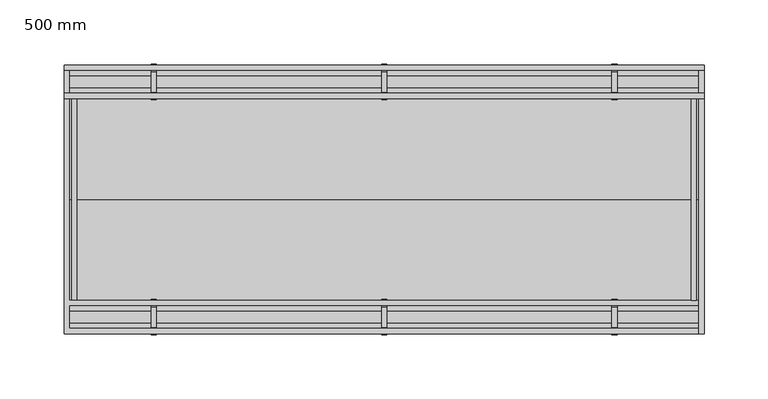
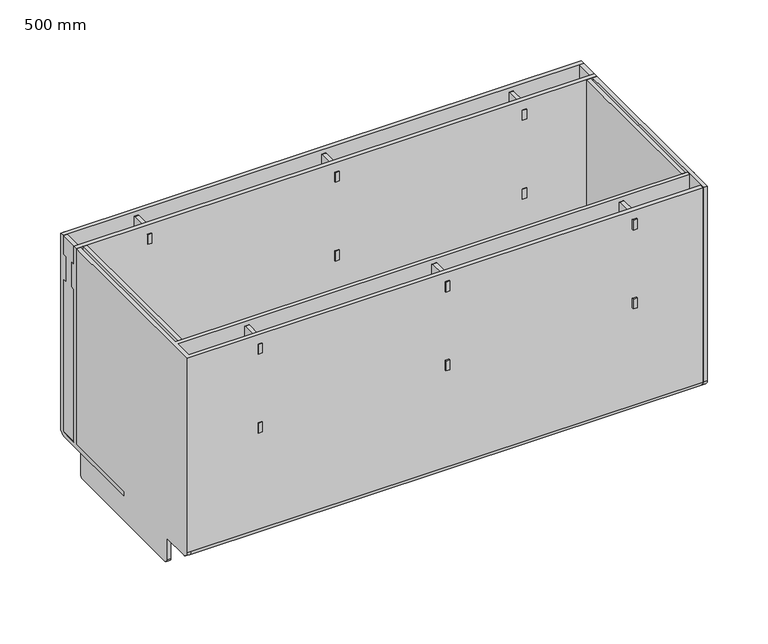
"""IFC4 building model written with IfcOpenShell, lengths in millimetres: proxy geometry, 500 mm."""

from ifc_helpers import new_model, si_unit, point, frame, frame_2d, origin, place, context, project, spatial, polyline, circle_curve, trimmed, segment, composite_curve, outline, extrude, source, transform, mapped, element, save
from ifc_brep_helpers import plane_surface, cylinder_surface, revolved_surface, advanced_brep


def proxy_500_mm_f506b042(model_context):
    return source(origin(), model_context, "Body", "SolidModel", [
        extrude(outline(composite_curve([segment(polyline([(99.5, -21.0), (0.0, -21.0), (0.0, -17.0), (79.0054819, -17.0), (79.0054819, 182.0093438), (83.0054819, 182.0093438), (83.0054819, 163.1067012), (87.0054819, 163.1067012), (87.0054819, 138.1067012), (83.0054819, 138.1067012), (83.0054819, -17.0), (99.5, -17.0)]), True, "CONTINUOUS"), segment(trimmed(circle_curve(frame_2d((99.5, -15.5)), 1.5), [point((99.5, -17.0))], [point((101.0, -15.5))], True, "CARTESIAN"), True, "CONTINUOUS"), segment(polyline([(101.0, -15.5), (101.0, 137.9), (97.0, 137.9), (97.0, 162.9), (101.0, 162.9), (101.0, 182.0), (105.0, 182.0), (105.0, -15.5)]), True, "CONTINUOUS"), segment(trimmed(circle_curve(frame_2d((99.5, -15.5)), 5.5), [point((105.0, -15.5))], [point((99.5, -21.0))], False, "CARTESIAN"), True, "CONTINUOUS")], self_intersect=False)), frame((0.0, 0.0, 0.0), z_axis=(1.0, 0.0, 0.0), x_axis=(0.0, 1.0, 0.0)), (0.0, 0.0, 1.0), 500.0),
        extrude(outline(polyline([(490.0, -79.0054819), (490.0, 79.0054819), (494.0, 79.0054819), (494.0, -79.0054819), (490.0, -79.0054819)])), frame((0.0, 0.0, -17.0), z_axis=(0.0, 0.0, 1.0), x_axis=(1.0, 0.0, 0.0)), (0.0, 0.0, 1.0), 199.0093438),
        extrude(outline(composite_curve([segment(polyline([(105.0, 182.0093438), (105.0, -15.5)]), True, "CONTINUOUS"), segment(trimmed(circle_curve(frame_2d((99.5, -15.5)), 5.5), [point((105.0, -15.5))], [point((99.5, -21.0))], False, "CARTESIAN"), True, "CONTINUOUS"), segment(polyline([(99.5, -21.0), (71.5, -21.0), (71.5, -43.0)]), True, "CONTINUOUS"), segment(trimmed(circle_curve(frame_2d((68.5, -43.0)), 3.0), [point((71.5, -43.0))], [point((68.5, -46.0))], False, "CARTESIAN"), True, "CONTINUOUS"), segment(polyline([(68.5, -46.0), (-68.5, -46.0)]), True, "CONTINUOUS"), segment(trimmed(circle_curve(frame_2d((-68.5, -43.0)), 3.0), [point((-68.5, -46.0))], [point((-71.5, -43.0))], False, "CARTESIAN"), True, "CONTINUOUS"), segment(polyline([(-71.5, -43.0), (-71.5, -21.0), (-99.5, -21.0)]), True, "CONTINUOUS"), segment(trimmed(circle_curve(frame_2d((-99.5, -15.5)), 5.5), [point((-99.5, -21.0))], [point((-105.0, -15.5))], False, "CARTESIAN"), True, "CONTINUOUS"), segment(polyline([(-105.0, -15.5), (-105.0, 182.0093438), (105.0, 182.0093438)]), True, "CONTINUOUS")], self_intersect=False)), frame((496.0, 0.0, 0.0), z_axis=(1.0, 0.0, 0.0), x_axis=(0.0, 1.0, 0.0)), (0.0, 0.0, 1.0), 4.0),
        extrude(outline(composite_curve([segment(trimmed(circle_curve(frame_2d((68.5, -43.0)), 3.0), [point((71.5, -43.0))], [point((68.5, -46.0))], False, "CARTESIAN"), True, "CONTINUOUS"), segment(polyline([(68.5, -46.0), (-68.5, -46.0)]), True, "CONTINUOUS"), segment(trimmed(circle_curve(frame_2d((-68.5, -43.0)), 3.0), [point((-68.5, -46.0))], [point((-71.5, -43.0))], False, "CARTESIAN"), True, "CONTINUOUS"), segment(polyline([(-71.5, -43.0), (-71.5, -21.0), (71.5, -21.0), (71.5, -43.0)]), True, "CONTINUOUS")], self_intersect=False)), frame((248.0625, 0.0, 0.0), z_axis=(1.0, 0.0, 0.0), x_axis=(0.0, 1.0, 0.0)), (0.0, 0.0, 1.0), 4.0),
        extrude(outline(composite_curve([segment(polyline([(82.9942771, 78.0), (82.9942771, 83.0), (77.9942771, 83.0), (77.9942771, 93.0), (82.9942771, 93.0), (82.9942771, 163.0), (77.9942771, 163.0), (77.9942771, 173.0), (82.9942771, 173.0), (82.9942771, 177.0)]), True, "CONTINUOUS"), segment(trimmed(circle_curve(frame_2d((83.9942771, 177.0)), 1.0), [point((82.9942771, 177.0))], [point((83.9942771, 178.0))], False, "CARTESIAN"), True, "CONTINUOUS"), segment(polyline([(83.9942771, 178.0), (100.0, 178.0)]), True, "CONTINUOUS"), segment(trimmed(circle_curve(frame_2d((100.0, 177.0)), 1.0), [point((100.0, 178.0))], [point((101.0, 177.0))], False, "CARTESIAN"), True, "CONTINUOUS"), segment(polyline([(101.0, 177.0), (101.0, 173.0), (106.0, 173.0), (106.0, 163.0), (101.0, 163.0), (101.0, 93.0), (106.0, 93.0), (106.0, 83.0), (101.0, 83.0), (101.0, 78.0), (82.9942771, 78.0)]), True, "CONTINUOUS")], self_intersect=False)), frame((248.0625, 0.0, 0.0), z_axis=(1.0, 0.0, 0.0), x_axis=(0.0, 1.0, 0.0)), (0.0, 0.0, 1.0), 4.0),
        extrude(outline(composite_curve([segment(polyline([(-82.9942771, 78.0), (-101.0, 78.0), (-101.0, 83.0), (-106.0, 83.0), (-106.0, 93.0), (-101.0, 93.0), (-101.0, 163.0), (-106.0, 163.0), (-106.0, 173.0), (-101.0, 173.0), (-101.0, 177.0)]), True, "CONTINUOUS"), segment(trimmed(circle_curve(frame_2d((-100.0, 177.0)), 1.0), [point((-101.0, 177.0))], [point((-100.0, 178.0))], False, "CARTESIAN"), True, "CONTINUOUS"), segment(polyline([(-100.0, 178.0), (-83.9942771, 178.0)]), True, "CONTINUOUS"), segment(trimmed(circle_curve(frame_2d((-83.9942771, 177.0)), 1.0), [point((-83.9942771, 178.0))], [point((-82.9942771, 177.0))], False, "CARTESIAN"), True, "CONTINUOUS"), segment(polyline([(-82.9942771, 177.0), (-82.9942771, 173.0), (-77.9942771, 173.0), (-77.9942771, 163.0), (-82.9942771, 163.0), (-82.9942771, 93.0), (-77.9942771, 93.0), (-77.9942771, 83.0), (-82.9942771, 83.0), (-82.9942771, 78.0)]), True, "CONTINUOUS")], self_intersect=False)), frame((248.0625, 0.0, 0.0), z_axis=(1.0, 0.0, 0.0), x_axis=(0.0, 1.0, 0.0)), (0.0, 0.0, 1.0), 4.0),
        extrude(outline(composite_curve([segment(trimmed(circle_curve(frame_2d((68.5, -43.0)), 3.0), [point((71.5, -43.0))], [point((68.5, -46.0))], False, "CARTESIAN"), True, "CONTINUOUS"), segment(polyline([(68.5, -46.0), (-68.5, -46.0)]), True, "CONTINUOUS"), segment(trimmed(circle_curve(frame_2d((-68.5, -43.0)), 3.0), [point((-68.5, -46.0))], [point((-71.5, -43.0))], False, "CARTESIAN"), True, "CONTINUOUS"), segment(polyline([(-71.5, -43.0), (-71.5, -21.0), (71.5, -21.0), (71.5, -43.0)]), True, "CONTINUOUS")], self_intersect=False)), frame((428.0625, 0.0, 0.0), z_axis=(1.0, 0.0, 0.0), x_axis=(0.0, 1.0, 0.0)), (0.0, 0.0, 1.0), 4.0),
        extrude(outline(composite_curve([segment(polyline([(82.9942771, 78.0), (82.9942771, 83.0), (77.9942771, 83.0), (77.9942771, 93.0), (82.9942771, 93.0), (82.9942771, 163.0), (77.9942771, 163.0), (77.9942771, 173.0), (82.9942771, 173.0), (82.9942771, 177.0)]), True, "CONTINUOUS"), segment(trimmed(circle_curve(frame_2d((83.9942771, 177.0)), 1.0), [point((82.9942771, 177.0))], [point((83.9942771, 178.0))], False, "CARTESIAN"), True, "CONTINUOUS"), segment(polyline([(83.9942771, 178.0), (100.0, 178.0)]), True, "CONTINUOUS"), segment(trimmed(circle_curve(frame_2d((100.0, 177.0)), 1.0), [point((100.0, 178.0))], [point((101.0, 177.0))], False, "CARTESIAN"), True, "CONTINUOUS"), segment(polyline([(101.0, 177.0), (101.0, 173.0), (106.0, 173.0), (106.0, 163.0), (101.0, 163.0), (101.0, 93.0), (106.0, 93.0), (106.0, 83.0), (101.0, 83.0), (101.0, 78.0), (82.9942771, 78.0)]), True, "CONTINUOUS")], self_intersect=False)), frame((428.0625, 0.0, 0.0), z_axis=(1.0, 0.0, 0.0), x_axis=(0.0, 1.0, 0.0)), (0.0, 0.0, 1.0), 4.0),
        extrude(outline(composite_curve([segment(polyline([(-82.9942771, 78.0), (-101.0, 78.0), (-101.0, 83.0), (-106.0, 83.0), (-106.0, 93.0), (-101.0, 93.0), (-101.0, 163.0), (-106.0, 163.0), (-106.0, 173.0), (-101.0, 173.0), (-101.0, 177.0)]), True, "CONTINUOUS"), segment(trimmed(circle_curve(frame_2d((-100.0, 177.0)), 1.0), [point((-101.0, 177.0))], [point((-100.0, 178.0))], False, "CARTESIAN"), True, "CONTINUOUS"), segment(polyline([(-100.0, 178.0), (-83.9942771, 178.0)]), True, "CONTINUOUS"), segment(trimmed(circle_curve(frame_2d((-83.9942771, 177.0)), 1.0), [point((-83.9942771, 178.0))], [point((-82.9942771, 177.0))], False, "CARTESIAN"), True, "CONTINUOUS"), segment(polyline([(-82.9942771, 177.0), (-82.9942771, 173.0), (-77.9942771, 173.0), (-77.9942771, 163.0), (-82.9942771, 163.0), (-82.9942771, 93.0), (-77.9942771, 93.0), (-77.9942771, 83.0), (-82.9942771, 83.0), (-82.9942771, 78.0)]), True, "CONTINUOUS")], self_intersect=False)), frame((428.0625, 0.0, 0.0), z_axis=(1.0, 0.0, 0.0), x_axis=(0.0, 1.0, 0.0)), (0.0, 0.0, 1.0), 4.0),
        advanced_brep(
        [(4.0, -71.5, -21.0), (4.0, -71.5, -43.0), (4.0, -68.5, -46.0), (4.0, 68.5, -46.0), (4.0, 71.5, -43.0), (4.0, 71.5, -21.0), (4.0, 99.5, -21.0), (4.0, 105.0, -15.5), (4.0, 105.0, 182.0093438), (4.0, -79.0054819, 182.0093438), (4.0, -79.0054819, -17.0), (4.0, 0.0, -17.0), (4.0, 0.0, -21.0), (4.0, -83.0054819, 182.0093438), (4.0, -101.0, 182.0093438), (4.0, -101.0, 162.9), (4.0, -97.0, 162.9), (4.0, -97.0, 137.9), (4.0, -101.0, 137.9), (4.0, -101.0, -15.5), (4.0, -99.5, -17.0), (4.0, -83.0054819, -17.0), (4.0, -83.0054819, 138.1067012), (4.0, -87.0054819, 138.1067012), (4.0, -87.0054819, 163.1067012), (4.0, -83.0054819, 163.1067012), (0.0, -105.0, 182.0093438), (0.0, 105.0, 182.0093438), (0.0, 105.0, -15.5), (0.0, 99.5, -21.0), (0.0, 71.5, -21.0), (0.0, 71.5, -43.0), (0.0, 68.5, -46.0), (0.0, -68.5, -46.0), (0.0, -71.5, -43.0), (0.0, -71.5, -21.0), (0.0, -99.5, -21.0), (0.0, -105.0, -15.5), (500.0, -105.0, 182.0093438), (500.0, -101.0, 182.0093438), (500.0, -83.0054819, 182.0093438), (500.0, -79.0054819, 182.0093438), (4.0, -105.0, -15.5), (500.0, -105.0, -15.5), (4.0, -99.5, -21.0), (500.0, 0.0, -21.0), (500.0, -99.5, -21.0), (500.0, 0.0, -17.0), (500.0, -79.0054819, -17.0), (500.0, -83.0054819, 163.1067012), (500.0, -87.0054819, 163.1067012), (500.0, -87.0054819, 138.1067012), (500.0, -83.0054819, 138.1067012), (500.0, -83.0054819, -17.0), (500.0, -99.5, -17.0), (500.0, -101.0, -15.5), (500.0, -101.0, 137.9), (500.0, -97.0, 137.9), (500.0, -97.0, 162.9), (500.0, -101.0, 162.9)],
        [
            (0, 1),
            (1, 2, circle_curve(frame((4.0, -68.5, -43.0), z_axis=(1.0, 0.0, 0.0), x_axis=(0.0, 1.0, 0.0)), 3.0)),
            (2, 3),
            (3, 4, circle_curve(frame((4.0, 68.5, -43.0), z_axis=(1.0, 0.0, 0.0), x_axis=(0.0, 1.0, 0.0)), 3.0)),
            (4, 5),
            (5, 6),
            (6, 7, circle_curve(frame((4.0, 99.5, -15.5), z_axis=(1.0, 0.0, 0.0), x_axis=(0.0, 1.0, 0.0)), 5.5)),
            (7, 8),
            (8, 9),
            (9, 10),
            (10, 11),
            (11, 12),
            (12, 0),
            (13, 14),
            (14, 15),
            (15, 16),
            (16, 17),
            (17, 18),
            (18, 19),
            (19, 20, circle_curve(frame((4.0, -99.5, -15.5), z_axis=(1.0, 0.0, 0.0), x_axis=(0.0, -1.0, 0.0)), 1.5)),
            (20, 21),
            (21, 22),
            (22, 23),
            (23, 24),
            (24, 25),
            (25, 13),
            (26, 27),
            (27, 28),
            (28, 29, circle_curve(frame((0.0, 99.5, -15.5), z_axis=(-1.0, 0.0, 0.0), x_axis=(0.0, 1.0, 0.0)), 5.5)),
            (29, 30),
            (30, 31),
            (31, 32, circle_curve(frame((0.0, 68.5, -43.0), z_axis=(-1.0, 0.0, 0.0), x_axis=(0.0, 1.0, 0.0)), 3.0)),
            (32, 33),
            (33, 34, circle_curve(frame((0.0, -68.5, -43.0), z_axis=(-1.0, 0.0, 0.0), x_axis=(0.0, 1.0, 0.0)), 3.0)),
            (34, 35),
            (35, 36),
            (36, 37, circle_curve(frame((0.0, -99.5, -15.5), z_axis=(-1.0, 0.0, 0.0), x_axis=(0.0, 1.0, 0.0)), 5.5)),
            (37, 26),
            (8, 27),
            (26, 38),
            (38, 39),
            (39, 14),
            (13, 40),
            (40, 41),
            (41, 9),
            (37, 42),
            (42, 43),
            (43, 38),
            (36, 44),
            (44, 42, circle_curve(frame((4.0, -99.5, -15.5), z_axis=(-1.0, 0.0, 0.0), x_axis=(0.0, 1.0, 0.0)), 5.5)),
            (35, 0),
            (12, 45),
            (45, 46),
            (46, 44),
            (34, 1),
            (33, 2),
            (32, 3),
            (31, 4),
            (30, 5),
            (29, 6),
            (28, 7),
            (45, 47),
            (47, 48),
            (48, 41),
            (40, 49),
            (49, 50),
            (50, 51),
            (51, 52),
            (52, 53),
            (53, 54),
            (54, 55, circle_curve(frame((500.0, -99.5, -15.5), z_axis=(-1.0, 0.0, 0.0), x_axis=(0.0, -1.0, 0.0)), 1.5)),
            (55, 56),
            (56, 57),
            (57, 58),
            (58, 59),
            (59, 39),
            (43, 46, circle_curve(frame((500.0, -99.5, -15.5), z_axis=(1.0, 0.0, 0.0), x_axis=(0.0, -1.0, 0.0)), 5.5)),
            (59, 15),
            (58, 16),
            (57, 17),
            (56, 18),
            (55, 19),
            (54, 20),
            (47, 11),
            (10, 48),
            (52, 22),
            (21, 53),
            (51, 23),
            (50, 24),
            (49, 25),
        ],
        [
            plane_surface(frame((4.0, 105.0, 182.0093438), z_axis=(1.0, 0.0, 0.0), x_axis=(0.0, -1.0, 0.0))),
            plane_surface(frame((0.0, 105.0, 182.0093438), z_axis=(-1.0, 0.0, 0.0), x_axis=(0.0, 1.0, 0.0))),
            plane_surface(frame((4.0, 105.0, 182.0093438), z_axis=(0.0, 0.0, 1.0), x_axis=(-1.0, 0.0, 0.0))),
            plane_surface(frame((4.0, -105.0, 182.0093438), z_axis=(0.0, -1.0, 0.0), x_axis=(-1.0, 0.0, 0.0))),
            cylinder_surface(frame((0.0, -99.5, -15.5), z_axis=(1.0, 0.0, 0.0), x_axis=(0.0, 1.0, 0.0)), 5.5),
            plane_surface(frame((4.0, -99.5, -21.0), z_axis=(0.0, 0.0, -1.0), x_axis=(-1.0, 0.0, 0.0))),
            plane_surface(frame((4.0, -71.5, -21.0), z_axis=(0.0, -1.0, 0.0), x_axis=(-1.0, 0.0, 0.0))),
            cylinder_surface(frame((0.0, -68.5, -43.0), z_axis=(1.0, 0.0, 0.0), x_axis=(0.0, 1.0, 0.0)), 3.0),
            plane_surface(frame((4.0, -68.5, -46.0), z_axis=(0.0, 0.0, -1.0), x_axis=(-1.0, 0.0, 0.0))),
            cylinder_surface(frame((0.0, 68.5, -43.0), z_axis=(1.0, 0.0, 0.0), x_axis=(0.0, 1.0, 0.0)), 3.0),
            plane_surface(frame((4.0, 71.5, -43.0), z_axis=(0.0, 1.0, 0.0), x_axis=(-1.0, 0.0, 0.0))),
            plane_surface(frame((4.0, 71.5, -21.0), z_axis=(0.0, 0.0, -1.0), x_axis=(-1.0, 0.0, 0.0))),
            cylinder_surface(frame((0.0, 99.5, -15.5), z_axis=(1.0, 0.0, 0.0), x_axis=(0.0, 1.0, 0.0)), 5.5),
            plane_surface(frame((4.0, 105.0, -15.5), z_axis=(0.0, 1.0, 0.0), x_axis=(-1.0, 0.0, 0.0))),
            plane_surface(frame((500.0, -99.5, -21.0), z_axis=(1.0, 0.0, 0.0), x_axis=(0.0, 1.0, 0.0))),
            cylinder_surface(frame((0.0, -99.5, -15.5), z_axis=(1.0, 0.0, 0.0), x_axis=(0.0, -1.0, 0.0)), 5.5),
            plane_surface(frame((500.0, -101.0, 162.9), z_axis=(0.0, 1.0, 0.0), x_axis=(-1.0, 0.0, 0.0))),
            plane_surface(frame((500.0, -97.0, 162.9), z_axis=(0.0, 0.0, 1.0), x_axis=(-1.0, 0.0, 0.0))),
            plane_surface(frame((500.0, -97.0, 137.9), z_axis=(0.0, 1.0, 0.0), x_axis=(-1.0, 0.0, 0.0))),
            plane_surface(frame((500.0, -101.0, 137.9), z_axis=(0.0, 0.0, -1.0), x_axis=(-1.0, 0.0, 0.0))),
            plane_surface(frame((500.0, -101.0, -15.5), z_axis=(0.0, 1.0, 0.0), x_axis=(-1.0, 0.0, 0.0))),
            revolved_surface(polyline([(4.0, -101.0, -15.5), (500.0, -101.0, -15.5)]), (0.0, -99.5, -15.5), (-1.0, 0.0, 0.0)),
            plane_surface(frame((500.0, 0.0, -17.0), z_axis=(0.0, 0.0, 1.0), x_axis=(-1.0, 0.0, 0.0))),
            plane_surface(frame((500.0, 0.0, -21.0), z_axis=(0.0, 1.0, 0.0), x_axis=(-1.0, 0.0, 0.0))),
            plane_surface(frame((500.0, -79.0054819, -17.0), z_axis=(0.0, 1.0, 0.0), x_axis=(-1.0, 0.0, 0.0))),
            plane_surface(frame((500.0, -83.0054819, 138.1067012), z_axis=(0.0, -1.0, 0.0), x_axis=(-1.0, 0.0, 0.0))),
            plane_surface(frame((500.0, -87.0054819, 138.1067012), z_axis=(0.0, 0.0, -1.0), x_axis=(-1.0, 0.0, 0.0))),
            plane_surface(frame((500.0, -87.0054819, 163.1067012), z_axis=(0.0, -1.0, 0.0), x_axis=(-1.0, 0.0, 0.0))),
            plane_surface(frame((500.0, -83.0054819, 163.1067012), z_axis=(0.0, 0.0, 1.0), x_axis=(-1.0, 0.0, 0.0))),
            plane_surface(frame((500.0, -83.0054819, 182.0093438), z_axis=(0.0, -1.0, 0.0), x_axis=(-1.0, 0.0, 0.0))),
            plane_surface(frame((500.0, -83.0054819, -17.0), z_axis=(0.0, 0.0, 1.0), x_axis=(-1.0, 0.0, 0.0))),
        ],
        [
            (0, [[1, 2, 3, 4, 5, 6, 7, 8, 9, 10, 11, 12, 13]]),
            (0, [[14, 15, 16, 17, 18, 19, 20, 21, 22, 23, 24, 25, 26]]),
            (1, [[27, 28, 29, 30, 31, 32, 33, 34, 35, 36, 37, 38]]),
            (2, [[39, -27, 40, 41, 42, -14, 43, 44, 45, -9]]),
            (3, [[-40, -38, 46, 47, 48]]),
            (4, [[-37, 49, 50, -46]]),
            (5, [[-36, 51, -13, 52, 53, 54, -49]]),
            (6, [[-1, -51, -35, 55]]),
            (7, [[-2, -55, -34, 56]]),
            (8, [[-3, -56, -33, 57]]),
            (9, [[-4, -57, -32, 58]]),
            (10, [[-5, -58, -31, 59]]),
            (11, [[-6, -59, -30, 60]]),
            (12, [[-7, -60, -29, 61]]),
            (13, [[-8, -61, -28, -39]]),
            (14, [[-53, 62, 63, 64, -44, 65, 66, 67, 68, 69, 70, 71, 72, 73, 74, 75, 76, -41, -48, 77]]),
            (15, [[-77, -47, -50, -54]]),
            (16, [[-76, 78, -15, -42]]),
            (17, [[-75, 79, -16, -78]]),
            (18, [[-74, 80, -17, -79]]),
            (19, [[-73, 81, -18, -80]]),
            (20, [[-72, 82, -19, -81]]),
            (21, [[-71, 83, -20, -82]]),
            (22, [[-63, 84, -11, 85]]),
            (23, [[-62, -52, -12, -84]]),
            (24, [[-64, -85, -10, -45]]),
            (25, [[-69, 86, -22, 87]]),
            (26, [[-68, 88, -23, -86]]),
            (27, [[-67, 89, -24, -88]]),
            (28, [[-66, 90, -25, -89]]),
            (29, [[-65, -43, -26, -90]]),
            (30, [[-70, -87, -21, -83]]),
        ],
    ),
        extrude(outline(polyline([(10.0, 79.0054819), (10.0, -79.0054819), (6.0, -79.0054819), (6.0, 79.0054819), (10.0, 79.0054819)])), frame((0.0, 0.0, -17.0), z_axis=(0.0, 0.0, 1.0), x_axis=(1.0, 0.0, 0.0)), (0.0, 0.0, 1.0), 199.0093438),
        extrude(outline(composite_curve([segment(trimmed(circle_curve(frame_2d((68.5, -43.0)), 3.0), [point((71.5, -43.0))], [point((68.5, -46.0))], False, "CARTESIAN"), True, "CONTINUOUS"), segment(polyline([(68.5, -46.0), (-68.5, -46.0)]), True, "CONTINUOUS"), segment(trimmed(circle_curve(frame_2d((-68.5, -43.0)), 3.0), [point((-68.5, -46.0))], [point((-71.5, -43.0))], False, "CARTESIAN"), True, "CONTINUOUS"), segment(polyline([(-71.5, -43.0), (-71.5, -21.0), (71.5, -21.0), (71.5, -43.0)]), True, "CONTINUOUS")], self_intersect=False)), frame((68.0625, 0.0, 0.0), z_axis=(1.0, 0.0, 0.0), x_axis=(0.0, 1.0, 0.0)), (0.0, 0.0, 1.0), 4.0),
        extrude(outline(composite_curve([segment(polyline([(82.9942771, 78.0), (82.9942771, 83.0), (77.9942771, 83.0), (77.9942771, 93.0), (82.9942771, 93.0), (82.9942771, 163.0), (77.9942771, 163.0), (77.9942771, 173.0), (82.9942771, 173.0), (82.9942771, 177.0)]), True, "CONTINUOUS"), segment(trimmed(circle_curve(frame_2d((83.9942771, 177.0)), 1.0), [point((82.9942771, 177.0))], [point((83.9942771, 178.0))], False, "CARTESIAN"), True, "CONTINUOUS"), segment(polyline([(83.9942771, 178.0), (100.0, 178.0)]), True, "CONTINUOUS"), segment(trimmed(circle_curve(frame_2d((100.0, 177.0)), 1.0), [point((100.0, 178.0))], [point((101.0, 177.0))], False, "CARTESIAN"), True, "CONTINUOUS"), segment(polyline([(101.0, 177.0), (101.0, 173.0), (106.0, 173.0), (106.0, 163.0), (101.0, 163.0), (101.0, 93.0), (106.0, 93.0), (106.0, 83.0), (101.0, 83.0), (101.0, 78.0), (82.9942771, 78.0)]), True, "CONTINUOUS")], self_intersect=False)), frame((68.0625, 0.0, 0.0), z_axis=(1.0, 0.0, 0.0), x_axis=(0.0, 1.0, 0.0)), (0.0, 0.0, 1.0), 4.0),
        extrude(outline(composite_curve([segment(polyline([(-82.9942771, 78.0), (-101.0, 78.0), (-101.0, 83.0), (-106.0, 83.0), (-106.0, 93.0), (-101.0, 93.0), (-101.0, 163.0), (-106.0, 163.0), (-106.0, 173.0), (-101.0, 173.0), (-101.0, 177.0)]), True, "CONTINUOUS"), segment(trimmed(circle_curve(frame_2d((-100.0, 177.0)), 1.0), [point((-101.0, 177.0))], [point((-100.0, 178.0))], False, "CARTESIAN"), True, "CONTINUOUS"), segment(polyline([(-100.0, 178.0), (-83.9942771, 178.0)]), True, "CONTINUOUS"), segment(trimmed(circle_curve(frame_2d((-83.9942771, 177.0)), 1.0), [point((-83.9942771, 178.0))], [point((-82.9942771, 177.0))], False, "CARTESIAN"), True, "CONTINUOUS"), segment(polyline([(-82.9942771, 177.0), (-82.9942771, 173.0), (-77.9942771, 173.0), (-77.9942771, 163.0), (-82.9942771, 163.0), (-82.9942771, 93.0), (-77.9942771, 93.0), (-77.9942771, 83.0), (-82.9942771, 83.0), (-82.9942771, 78.0)]), True, "CONTINUOUS")], self_intersect=False)), frame((68.0625, 0.0, 0.0), z_axis=(1.0, 0.0, 0.0), x_axis=(0.0, 1.0, 0.0)), (0.0, 0.0, 1.0), 4.0),
    ])


if __name__ == "__main__":
    model = new_model("IFC4")
    model_context = context("Model", 3, world=origin())
    ifc_project = project(units=[si_unit("LENGTHUNIT", "METRE", prefix="MILLI")], contexts=[model_context])
    site = spatial("IfcSite", under=ifc_project)
    building = spatial("IfcBuilding", under=site)
    placement = place(None, origin())
    proxy_500_mm_shape = proxy_500_mm_f506b042(model_context)
    element("IfcBuildingElementProxy", 1, Name="500 mm", ObjectType="500 mm", at=placement, inside=building, context=model_context, shape_type="MappedRepresentation", body=[
        mapped(proxy_500_mm_shape, transform((0.0, 0.0, 0.0), x_axis=(1.0, 0.0, 0.0), y_axis=(0.0, 1.0, 0.0), z_axis=(0.0, 0.0, 1.0))),
    ])
    save(model, "model.ifc")
